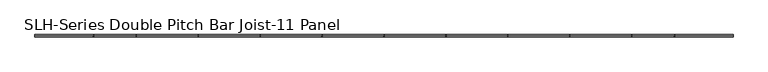
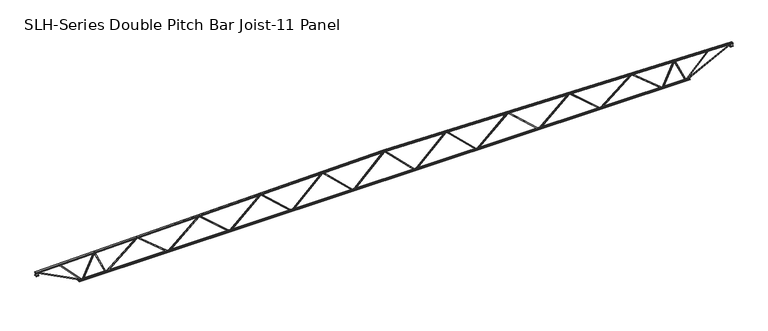
"""IFC4 building model written with IfcOpenShell, lengths in millimetres: beam geometry, SLH-Series Double Pitch Bar Joist-11 Panel."""

from ifc_helpers import new_model, si_unit, frame, origin, place, context, project, spatial, polyline, outline, extrude, faceted_brep, source, transform, mapped, element, save


def slh_series_double_pitch_bar_joist_11_panel_637ea730(model_context):
    return source(origin(), model_context, "Body", "SolidModel", [
        faceted_brep([(12801.6005483, 0.0, -863.6), (12801.6005483, 0.0, -914.4), (12801.6005483, -12.7, -914.4), (12801.6005483, -12.7, -863.6), (12817.8412945, 0.0, -863.6), (14596.0777309, 0.0, 610.4397819), (14656.3233291, 0.0, 609.1851802), (14655.2656592, 0.0, 558.3961918), (14613.9332808, 0.0, 559.2569298), (12836.1587055, 0.0, -914.4), (12836.1587055, -12.7, -914.4), (12905.2963134, -12.7, -857.0895196), (12897.1913876, -12.7, -847.3119853), (14592.0008334, -12.7, 557.572368), (14600.1057592, -12.7, 547.7948337), (14613.9332808, -12.7, 559.2569298), (14655.2656592, -12.7, 558.3961918), (14656.3233291, -12.7, 609.1851802), (14596.0777309, -12.7, 610.4397819), (12817.8412945, -12.7, -863.6), (14600.1057592, -50.8, 547.7948337), (12905.2963134, -50.8, -857.0895196), (12897.1913876, -50.8, -847.3119853), (14592.0008334, -50.8, 557.572368)], [[[0, 1, 2, 3]], [[1, 0, 4, 5, 6, 7, 8, 9]], [[2, 1, 9, 10]], [[3, 2, 10, 11, 12, 13, 14, 15, 16, 17, 18, 19]], [[0, 3, 19, 4]], [[9, 8, 15, 14, 20, 21, 11, 10]], [[5, 4, 19, 18]], [[7, 6, 17, 16]], [[8, 7, 16, 15]], [[6, 5, 18, 17]], [[11, 21, 22, 12]], [[13, 23, 20, 14]], [[22, 21, 20, 23]], [[12, 22, 23, 13]]]),
        faceted_brep([(16459.200586, 12.7, -863.6), (16459.200586, 0.0, -863.6), (16459.200586, 0.0, -914.4), (16459.200586, 12.7, -914.4), (16442.9536443, 12.7, -863.6), (16442.9536443, 0.0, -863.6), (14665.1773799, 0.0, 609.0007964), (14605.5343408, 0.0, 610.24285), (14604.4766709, 0.0, 559.4538617), (14646.4116084, 0.0, 558.5805756), (16424.6463557, 0.0, -914.4), (16424.6463557, 12.7, -914.4), (16355.4885392, 12.7, -857.1139074), (16363.5900161, 12.7, -847.3335152), (14668.3446486, 12.7, 556.9037492), (14660.2431717, 12.7, 547.123357), (14646.4116084, 12.7, 558.5805756), (14604.4766709, 12.7, 559.4538617), (14605.5343408, 12.7, 610.24285), (14665.1773799, 12.7, 609.0007964), (16355.4885392, 50.8, -857.1139074), (16363.5900161, 50.8, -847.3335152), (14660.2431717, 50.8, 547.123357), (14668.3446486, 50.8, 556.9037492)], [[[0, 1, 2, 3]], [[1, 0, 4, 5]], [[2, 1, 5, 6, 7, 8, 9, 10]], [[3, 2, 10, 11]], [[0, 3, 11, 12, 13, 14, 15, 16, 17, 18, 19, 4]], [[5, 4, 19, 6]], [[8, 7, 18, 17]], [[7, 6, 19, 18]], [[9, 8, 17, 16]], [[20, 21, 13, 12]], [[22, 15, 14, 23]], [[21, 20, 22, 23]], [[13, 21, 23, 14]], [[20, 12, 11, 10, 9, 16, 15, 22]]]),
        faceted_brep([(9144.0005483, 0.0, -863.6), (9144.0005483, 0.0, -914.4), (9144.0005483, -12.7, -914.4), (9144.0005483, -12.7, -863.6), (9159.8828503, 0.0, -863.6), (10938.116566, 0.0, 686.6160461), (10998.7233291, 0.0, 685.3539232), (10997.6656592, 0.0, 634.5649348), (10956.6944457, 0.0, 635.4181517), (9178.9171497, 0.0, -914.4), (9178.9171497, -12.7, -914.4), (9246.6086066, -12.7, -855.3884192), (9238.2631088, -12.7, -845.8154016), (10934.8106565, -12.7, 633.1888531), (10943.1561543, -12.7, 623.6158355), (10956.6944457, -12.7, 635.4181517), (10997.6656592, -12.7, 634.5649348), (10998.7233291, -12.7, 685.3539232), (10938.116566, -12.7, 686.6160461), (9159.8828503, -12.7, -863.6), (10943.1561543, -50.8, 623.6158355), (9246.6086066, -50.8, -855.3884192), (9238.2631088, -50.8, -845.8154016), (10934.8106565, -50.8, 633.1888531)], [[[0, 1, 2, 3]], [[1, 0, 4, 5, 6, 7, 8, 9]], [[2, 1, 9, 10]], [[3, 2, 10, 11, 12, 13, 14, 15, 16, 17, 18, 19]], [[0, 3, 19, 4]], [[9, 8, 15, 14, 20, 21, 11, 10]], [[5, 4, 19, 18]], [[7, 6, 17, 16]], [[8, 7, 16, 15]], [[6, 5, 18, 17]], [[11, 21, 22, 12]], [[13, 23, 20, 14]], [[22, 21, 20, 23]], [[12, 22, 23, 13]]]),
        faceted_brep([(12801.600586, 12.7, -863.6), (12801.600586, 0.0, -863.6), (12801.600586, 0.0, -914.4), (12801.600586, 12.7, -914.4), (12785.7122535, 12.7, -863.6), (12785.7122535, 0.0, -863.6), (11007.9332225, 0.0, 685.1621291), (10947.9343408, 0.0, 686.4115931), (10946.8766709, 0.0, 635.6226047), (10988.4557659, 0.0, 634.7567289), (12766.6877465, 0.0, -914.4), (12766.6877465, 12.7, -914.4), (12698.9763422, 12.7, -855.4113085), (12707.3186029, 12.7, -845.8354699), (11010.3403075, 12.7, 632.5348293), (11001.9980467, 12.7, 622.9589906), (10988.4557659, 12.7, 634.7567289), (10946.8766709, 12.7, 635.6226047), (10947.9343408, 12.7, 686.4115931), (11007.9332225, 12.7, 685.1621291), (12698.9763422, 50.8, -855.4113085), (12707.3186029, 50.8, -845.8354699), (11001.9980467, 50.8, 622.9589906), (11010.3403075, 50.8, 632.5348293)], [[[0, 1, 2, 3]], [[1, 0, 4, 5]], [[2, 1, 5, 6, 7, 8, 9, 10]], [[3, 2, 10, 11]], [[0, 3, 11, 12, 13, 14, 15, 16, 17, 18, 19, 4]], [[5, 4, 19, 6]], [[8, 7, 18, 17]], [[7, 6, 19, 18]], [[9, 8, 17, 16]], [[20, 21, 13, 12]], [[22, 15, 14, 23]], [[21, 20, 22, 23]], [[13, 21, 23, 14]], [[20, 12, 11, 10, 9, 16, 15, 22]]]),
        faceted_brep([(5486.4005483, 0.0, -863.6), (5486.4005483, 0.0, -914.4), (5486.4005483, -12.7, -914.4), (5486.4005483, -12.7, -863.6), (5501.9361494, 0.0, -863.6), (7280.1671323, 0.0, 762.792066), (7341.1233291, 0.0, 761.5226662), (7340.0656592, 0.0, 710.7336778), (7299.4438793, 0.0, 711.5796178), (5521.6638506, 0.0, -914.4), (5521.6638506, -12.7, -914.4), (5587.9299471, -12.7, -853.792208), (5579.3587109, -12.7, -844.4207667), (7277.6194239, -12.7, 708.8295006), (7286.19066, -12.7, 699.4580594), (7299.4438793, -12.7, 711.5796178), (7340.0656592, -12.7, 710.7336778), (7341.1233291, -12.7, 761.5226662), (7280.1671323, -12.7, 762.792066), (5501.9361494, -12.7, -863.6), (7286.19066, -50.8, 699.4580594), (5587.9299471, -50.8, -853.792208), (5579.3587109, -50.8, -844.4207667), (7277.6194239, -50.8, 708.8295006)], [[[0, 1, 2, 3]], [[1, 0, 4, 5, 6, 7, 8, 9]], [[2, 1, 9, 10]], [[3, 2, 10, 11, 12, 13, 14, 15, 16, 17, 18, 19]], [[0, 3, 19, 4]], [[9, 8, 15, 14, 20, 21, 11, 10]], [[5, 4, 19, 18]], [[7, 6, 17, 16]], [[8, 7, 16, 15]], [[6, 5, 18, 17]], [[11, 21, 22, 12]], [[13, 23, 20, 14]], [[22, 21, 20, 23]], [[12, 22, 23, 13]]]),
        faceted_brep([(9144.000586, 12.7, -863.6), (9144.000586, 0.0, -863.6), (9144.000586, 0.0, -914.4), (9144.000586, 12.7, -914.4), (9128.4591155, 12.7, -863.6), (9128.4591155, 0.0, -863.6), (7350.6773093, 0.0, 761.3237066), (7290.3343408, 0.0, 762.5803361), (7289.2766709, 0.0, 711.7913477), (7330.511679, 0.0, 710.9326375), (9108.7408845, 0.0, -914.4), (9108.7408845, 12.7, -914.4), (9042.4551543, 12.7, -853.8136817), (9051.0233536, 12.7, -844.4394638), (7352.3370244, 12.7, 708.1895917), (7343.768825, 12.7, 698.8153738), (7330.511679, 12.7, 710.9326375), (7289.2766709, 12.7, 711.7913477), (7290.3343408, 12.7, 762.5803361), (7350.6773093, 12.7, 761.3237066), (9042.4551543, 50.8, -853.8136817), (9051.0233536, 50.8, -844.4394638), (7343.768825, 50.8, 698.8153738), (7352.3370244, 50.8, 708.1895917)], [[[0, 1, 2, 3]], [[1, 0, 4, 5]], [[2, 1, 5, 6, 7, 8, 9, 10]], [[3, 2, 10, 11]], [[0, 3, 11, 12, 13, 14, 15, 16, 17, 18, 19, 4]], [[5, 4, 19, 6]], [[8, 7, 18, 17]], [[7, 6, 19, 18]], [[9, 8, 17, 16]], [[20, 21, 13, 12]], [[22, 15, 14, 23]], [[21, 20, 22, 23]], [[13, 21, 23, 14]], [[20, 12, 11, 10, 9, 16, 15, 22]]]),
        faceted_brep([(1828.8005483, 0.0, -863.6), (1828.8005483, 0.0, -914.4), (1828.8005483, -12.7, -914.4), (1828.8005483, -12.7, -863.6), (1844.0009054, 0.0, -863.6), (3622.2291509, 0.0, 838.9678474), (3683.5233291, 0.0, 837.6914092), (3682.4656592, 0.0, 786.9024209), (3642.1818608, 0.0, 787.7413224), (1864.3990946, 0.0, -914.4), (1864.3990946, -12.7, -914.4), (1929.2640419, -12.7, -852.294939), (1920.48106, -12.7, -843.1216501), (3620.4258893, -12.7, 784.493599), (3629.2088713, -12.7, 775.3203102), (3642.1818608, -12.7, 787.7413224), (3682.4656592, -12.7, 786.9024209), (3683.5233291, -12.7, 837.6914092), (3622.2291509, -12.7, 838.9678474), (1844.0009054, -12.7, -863.6), (3629.2088713, -50.8, 775.3203102), (1929.2640419, -50.8, -852.294939), (1920.48106, -50.8, -843.1216501), (3620.4258893, -50.8, 784.493599)], [[[0, 1, 2, 3]], [[1, 0, 4, 5, 6, 7, 8, 9]], [[2, 1, 9, 10]], [[3, 2, 10, 11, 12, 13, 14, 15, 16, 17, 18, 19]], [[0, 3, 19, 4]], [[9, 8, 15, 14, 20, 21, 11, 10]], [[5, 4, 19, 18]], [[7, 6, 17, 16]], [[8, 7, 16, 15]], [[6, 5, 18, 17]], [[11, 21, 22, 12]], [[13, 23, 20, 14]], [[22, 21, 20, 23]], [[12, 22, 23, 13]]]),
        faceted_brep([(5486.400586, 12.7, -863.6), (5486.400586, 0.0, -863.6), (5486.400586, 0.0, -914.4), (5486.400586, 12.7, -914.4), (5471.1945165, 12.7, -863.6), (5471.1945165, 0.0, -863.6), (3693.4099343, 0.0, 837.4855227), (3632.7343408, 0.0, 838.7490791), (3631.6766709, 0.0, 787.9600907), (3672.579054, 0.0, 787.1083073), (5450.8054835, 0.0, -914.4), (5450.8054835, 12.7, -914.4), (5385.9212589, 12.7, -852.3150791), (5394.7013926, 12.7, -843.1390641), (3694.3360327, 12.7, 783.8673382), (3685.555899, 12.7, 774.6913231), (3672.579054, 12.7, 787.1083073), (3631.6766709, 12.7, 787.9600907), (3632.7343408, 12.7, 838.7490791), (3693.4099343, 12.7, 837.4855227), (5385.9212589, 50.8, -852.3150791), (5394.7013926, 50.8, -843.1390641), (3685.555899, 50.8, 774.6913231), (3694.3360327, 50.8, 783.8673382)], [[[0, 1, 2, 3]], [[1, 0, 4, 5]], [[2, 1, 5, 6, 7, 8, 9, 10]], [[3, 2, 10, 11]], [[0, 3, 11, 12, 13, 14, 15, 16, 17, 18, 19, 4]], [[5, 4, 19, 6]], [[8, 7, 18, 17]], [[7, 6, 19, 18]], [[9, 8, 17, 16]], [[20, 21, 13, 12]], [[22, 15, 14, 23]], [[21, 20, 22, 23]], [[13, 21, 23, 14]], [[20, 12, 11, 10, 9, 16, 15, 22]]]),
        faceted_brep([(-1828.8005483, 0.0, -863.6), (-1828.8005483, 0.0, -914.4), (-1828.8005483, 12.7, -914.4), (-1828.8005483, 12.7, -863.6), (-1844.0009054, 0.0, -863.6), (-3622.2291509, 0.0, 838.9678474), (-3683.5233291, 0.0, 837.6914092), (-3682.4656592, 0.0, 786.9024209), (-3642.1818608, 0.0, 787.7413224), (-1864.3990946, 0.0, -914.4), (-1864.3990946, 12.7, -914.4), (-1929.2640419, 12.7, -852.294939), (-1920.48106, 12.7, -843.1216501), (-3620.4258893, 12.7, 784.493599), (-3629.2088713, 12.7, 775.3203102), (-3642.1818608, 12.7, 787.7413224), (-3682.4656592, 12.7, 786.9024209), (-3683.5233291, 12.7, 837.6914092), (-3622.2291509, 12.7, 838.9678474), (-1844.0009054, 12.7, -863.6), (-3629.2088713, 50.8, 775.3203102), (-1929.2640419, 50.8, -852.294939), (-1920.48106, 50.8, -843.1216501), (-3620.4258893, 50.8, 784.493599)], [[[0, 1, 2, 3]], [[1, 0, 4, 5, 6, 7, 8, 9]], [[2, 1, 9, 10]], [[3, 2, 10, 11, 12, 13, 14, 15, 16, 17, 18, 19]], [[0, 3, 19, 4]], [[9, 8, 15, 14, 20, 21, 11, 10]], [[5, 4, 19, 18]], [[7, 6, 17, 16]], [[8, 7, 16, 15]], [[6, 5, 18, 17]], [[11, 21, 22, 12]], [[13, 23, 20, 14]], [[22, 21, 20, 23]], [[12, 22, 23, 13]]]),
        faceted_brep([(-5486.400586, -12.7, -863.6), (-5486.400586, 0.0, -863.6), (-5486.400586, 0.0, -914.4), (-5486.400586, -12.7, -914.4), (-5471.1945165, -12.7, -863.6), (-5471.1945165, 0.0, -863.6), (-3693.4099343, 0.0, 837.4855227), (-3632.7343408, 0.0, 838.7490791), (-3631.6766709, 0.0, 787.9600907), (-3672.579054, 0.0, 787.1083073), (-5450.8054835, 0.0, -914.4), (-5450.8054835, -12.7, -914.4), (-5385.9212589, -12.7, -852.3150791), (-5394.7013926, -12.7, -843.1390641), (-3694.3360327, -12.7, 783.8673382), (-3685.555899, -12.7, 774.6913231), (-3672.579054, -12.7, 787.1083073), (-3631.6766709, -12.7, 787.9600907), (-3632.7343408, -12.7, 838.7490791), (-3693.4099343, -12.7, 837.4855227), (-5385.9212589, -50.8, -852.3150791), (-5394.7013926, -50.8, -843.1390641), (-3685.555899, -50.8, 774.6913231), (-3694.3360327, -50.8, 783.8673382)], [[[0, 1, 2, 3]], [[1, 0, 4, 5]], [[2, 1, 5, 6, 7, 8, 9, 10]], [[3, 2, 10, 11]], [[0, 3, 11, 12, 13, 14, 15, 16, 17, 18, 19, 4]], [[5, 4, 19, 6]], [[8, 7, 18, 17]], [[7, 6, 19, 18]], [[9, 8, 17, 16]], [[20, 21, 13, 12]], [[22, 15, 14, 23]], [[21, 20, 22, 23]], [[13, 21, 23, 14]], [[20, 12, 11, 10, 9, 16, 15, 22]]]),
        faceted_brep([(-5486.4005483, 0.0, -863.6), (-5486.4005483, 0.0, -914.4), (-5486.4005483, 12.7, -914.4), (-5486.4005483, 12.7, -863.6), (-5501.9361494, 0.0, -863.6), (-7280.1671323, 0.0, 762.792066), (-7341.1233291, 0.0, 761.5226662), (-7340.0656592, 0.0, 710.7336778), (-7299.4438793, 0.0, 711.5796178), (-5521.6638506, 0.0, -914.4), (-5521.6638506, 12.7, -914.4), (-5587.9299471, 12.7, -853.792208), (-5579.3587109, 12.7, -844.4207667), (-7277.6194239, 12.7, 708.8295006), (-7286.19066, 12.7, 699.4580594), (-7299.4438793, 12.7, 711.5796178), (-7340.0656592, 12.7, 710.7336778), (-7341.1233291, 12.7, 761.5226662), (-7280.1671323, 12.7, 762.792066), (-5501.9361494, 12.7, -863.6), (-7286.19066, 50.8, 699.4580594), (-5587.9299471, 50.8, -853.792208), (-5579.3587109, 50.8, -844.4207667), (-7277.6194239, 50.8, 708.8295006)], [[[0, 1, 2, 3]], [[1, 0, 4, 5, 6, 7, 8, 9]], [[2, 1, 9, 10]], [[3, 2, 10, 11, 12, 13, 14, 15, 16, 17, 18, 19]], [[0, 3, 19, 4]], [[9, 8, 15, 14, 20, 21, 11, 10]], [[5, 4, 19, 18]], [[7, 6, 17, 16]], [[8, 7, 16, 15]], [[6, 5, 18, 17]], [[11, 21, 22, 12]], [[13, 23, 20, 14]], [[22, 21, 20, 23]], [[12, 22, 23, 13]]]),
        faceted_brep([(-9144.000586, -12.7, -863.6), (-9144.000586, 0.0, -863.6), (-9144.000586, 0.0, -914.4), (-9144.000586, -12.7, -914.4), (-9128.4591155, -12.7, -863.6), (-9128.4591155, 0.0, -863.6), (-7350.6773093, 0.0, 761.3237066), (-7290.3343408, 0.0, 762.5803361), (-7289.2766709, 0.0, 711.7913477), (-7330.511679, 0.0, 710.9326375), (-9108.7408845, 0.0, -914.4), (-9108.7408845, -12.7, -914.4), (-9042.4551543, -12.7, -853.8136817), (-9051.0233536, -12.7, -844.4394638), (-7352.3370244, -12.7, 708.1895917), (-7343.768825, -12.7, 698.8153738), (-7330.511679, -12.7, 710.9326375), (-7289.2766709, -12.7, 711.7913477), (-7290.3343408, -12.7, 762.5803361), (-7350.6773093, -12.7, 761.3237066), (-9042.4551543, -50.8, -853.8136817), (-9051.0233536, -50.8, -844.4394638), (-7343.768825, -50.8, 698.8153738), (-7352.3370244, -50.8, 708.1895917)], [[[0, 1, 2, 3]], [[1, 0, 4, 5]], [[2, 1, 5, 6, 7, 8, 9, 10]], [[3, 2, 10, 11]], [[0, 3, 11, 12, 13, 14, 15, 16, 17, 18, 19, 4]], [[5, 4, 19, 6]], [[8, 7, 18, 17]], [[7, 6, 19, 18]], [[9, 8, 17, 16]], [[20, 21, 13, 12]], [[22, 15, 14, 23]], [[21, 20, 22, 23]], [[13, 21, 23, 14]], [[20, 12, 11, 10, 9, 16, 15, 22]]]),
        faceted_brep([(-9144.0005483, 0.0, -863.6), (-9144.0005483, 0.0, -914.4), (-9144.0005483, 12.7, -914.4), (-9144.0005483, 12.7, -863.6), (-9159.8828503, 0.0, -863.6), (-10938.116566, 0.0, 686.6160461), (-10998.7233291, 0.0, 685.3539232), (-10997.6656592, 0.0, 634.5649348), (-10956.6944457, 0.0, 635.4181517), (-9178.9171497, 0.0, -914.4), (-9178.9171497, 12.7, -914.4), (-9246.6086066, 12.7, -855.3884192), (-9238.2631088, 12.7, -845.8154016), (-10934.8106565, 12.7, 633.1888531), (-10943.1561543, 12.7, 623.6158355), (-10956.6944457, 12.7, 635.4181517), (-10997.6656592, 12.7, 634.5649348), (-10998.7233291, 12.7, 685.3539232), (-10938.116566, 12.7, 686.6160461), (-9159.8828503, 12.7, -863.6), (-10943.1561543, 50.8, 623.6158355), (-9246.6086066, 50.8, -855.3884192), (-9238.2631088, 50.8, -845.8154016), (-10934.8106565, 50.8, 633.1888531)], [[[0, 1, 2, 3]], [[1, 0, 4, 5, 6, 7, 8, 9]], [[2, 1, 9, 10]], [[3, 2, 10, 11, 12, 13, 14, 15, 16, 17, 18, 19]], [[0, 3, 19, 4]], [[9, 8, 15, 14, 20, 21, 11, 10]], [[5, 4, 19, 18]], [[7, 6, 17, 16]], [[8, 7, 16, 15]], [[6, 5, 18, 17]], [[11, 21, 22, 12]], [[13, 23, 20, 14]], [[22, 21, 20, 23]], [[12, 22, 23, 13]]]),
        faceted_brep([(-12801.600586, -12.7, -863.6), (-12801.600586, 0.0, -863.6), (-12801.600586, 0.0, -914.4), (-12801.600586, -12.7, -914.4), (-12785.7122535, -12.7, -863.6), (-12785.7122535, 0.0, -863.6), (-11007.9332225, 0.0, 685.1621291), (-10947.9343408, 0.0, 686.4115931), (-10946.8766709, 0.0, 635.6226047), (-10988.4557659, 0.0, 634.7567289), (-12766.6877465, 0.0, -914.4), (-12766.6877465, -12.7, -914.4), (-12698.9763422, -12.7, -855.4113085), (-12707.3186029, -12.7, -845.8354699), (-11010.3403075, -12.7, 632.5348293), (-11001.9980467, -12.7, 622.9589906), (-10988.4557659, -12.7, 634.7567289), (-10946.8766709, -12.7, 635.6226047), (-10947.9343408, -12.7, 686.4115931), (-11007.9332225, -12.7, 685.1621291), (-12698.9763422, -50.8, -855.4113085), (-12707.3186029, -50.8, -845.8354699), (-11001.9980467, -50.8, 622.9589906), (-11010.3403075, -50.8, 632.5348293)], [[[0, 1, 2, 3]], [[1, 0, 4, 5]], [[2, 1, 5, 6, 7, 8, 9, 10]], [[3, 2, 10, 11]], [[0, 3, 11, 12, 13, 14, 15, 16, 17, 18, 19, 4]], [[5, 4, 19, 6]], [[8, 7, 18, 17]], [[7, 6, 19, 18]], [[9, 8, 17, 16]], [[20, 21, 13, 12]], [[22, 15, 14, 23]], [[21, 20, 22, 23]], [[13, 21, 23, 14]], [[20, 12, 11, 10, 9, 16, 15, 22]]]),
        faceted_brep([(-12801.6005483, 0.0, -863.6), (-12801.6005483, 0.0, -914.4), (-12801.6005483, 12.7, -914.4), (-12801.6005483, 12.7, -863.6), (-12817.8412945, 0.0, -863.6), (-14596.0777309, 0.0, 610.4397819), (-14656.3233291, 0.0, 609.1851802), (-14655.2656592, 0.0, 558.3961918), (-14613.9332808, 0.0, 559.2569298), (-12836.1587055, 0.0, -914.4), (-12836.1587055, 12.7, -914.4), (-12905.2963134, 12.7, -857.0895196), (-12897.1913876, 12.7, -847.3119853), (-14592.0008334, 12.7, 557.572368), (-14600.1057592, 12.7, 547.7948337), (-14613.9332808, 12.7, 559.2569298), (-14655.2656592, 12.7, 558.3961918), (-14656.3233291, 12.7, 609.1851802), (-14596.0777309, 12.7, 610.4397819), (-12817.8412945, 12.7, -863.6), (-14600.1057592, 50.8, 547.7948337), (-12905.2963134, 50.8, -857.0895196), (-12897.1913876, 50.8, -847.3119853), (-14592.0008334, 50.8, 557.572368)], [[[0, 1, 2, 3]], [[1, 0, 4, 5, 6, 7, 8, 9]], [[2, 1, 9, 10]], [[3, 2, 10, 11, 12, 13, 14, 15, 16, 17, 18, 19]], [[0, 3, 19, 4]], [[9, 8, 15, 14, 20, 21, 11, 10]], [[5, 4, 19, 18]], [[7, 6, 17, 16]], [[8, 7, 16, 15]], [[6, 5, 18, 17]], [[11, 21, 22, 12]], [[13, 23, 20, 14]], [[22, 21, 20, 23]], [[12, 22, 23, 13]]]),
        faceted_brep([(-16459.200586, -12.7, -863.6), (-16459.200586, 0.0, -863.6), (-16459.200586, 0.0, -914.4), (-16459.200586, -12.7, -914.4), (-16442.9536443, -12.7, -863.6), (-16442.9536443, 0.0, -863.6), (-14665.1773799, 0.0, 609.0007964), (-14605.5343408, 0.0, 610.24285), (-14604.4766709, 0.0, 559.4538617), (-14646.4116084, 0.0, 558.5805756), (-16424.6463557, 0.0, -914.4), (-16424.6463557, -12.7, -914.4), (-16355.4885392, -12.7, -857.1139074), (-16363.5900161, -12.7, -847.3335152), (-14668.3446486, -12.7, 556.9037492), (-14660.2431717, -12.7, 547.123357), (-14646.4116084, -12.7, 558.5805756), (-14604.4766709, -12.7, 559.4538617), (-14605.5343408, -12.7, 610.24285), (-14665.1773799, -12.7, 609.0007964), (-16355.4885392, -50.8, -857.1139074), (-16363.5900161, -50.8, -847.3335152), (-14660.2431717, -50.8, 547.123357), (-14668.3446486, -50.8, 556.9037492)], [[[0, 1, 2, 3]], [[1, 0, 4, 5]], [[2, 1, 5, 6, 7, 8, 9, 10]], [[3, 2, 10, 11]], [[0, 3, 11, 12, 13, 14, 15, 16, 17, 18, 19, 4]], [[5, 4, 19, 6]], [[8, 7, 18, 17]], [[7, 6, 19, 18]], [[9, 8, 17, 16]], [[20, 21, 13, 12]], [[22, 15, 14, 23]], [[21, 20, 22, 23]], [[13, 21, 23, 14]], [[20, 12, 11, 10, 9, 16, 15, 22]]]),
        faceted_brep([(1828.7994517, 0.0, -863.6), (1828.7994517, 0.0, -914.4), (1828.7994517, 12.7, -914.4), (1828.7994517, 12.7, -863.6), (1813.9210245, 0.0, -863.6), (35.9210245, 0.0, 914.4), (-25.4, 0.0, 914.4), (-25.4, 0.0, 863.6), (14.8789755, 0.0, 863.6), (1792.8789755, 0.0, -914.4), (1792.8789755, 12.7, -914.4), (1729.3789755, 12.7, -850.9), (1738.3592316, 12.7, -841.9197439), (36.5592316, 12.7, 859.8802561), (27.5789755, 12.7, 850.9), (14.8789755, 12.7, 863.6), (-25.4, 12.7, 863.6), (-25.4, 12.7, 914.4), (35.9210245, 12.7, 914.4), (1813.9210245, 12.7, -863.6), (27.5789755, 50.8, 850.9), (1729.3789755, 50.8, -850.9), (1738.3592316, 50.8, -841.9197439), (36.5592316, 50.8, 859.8802561)], [[[0, 1, 2, 3]], [[1, 0, 4, 5, 6, 7, 8, 9]], [[2, 1, 9, 10]], [[3, 2, 10, 11, 12, 13, 14, 15, 16, 17, 18, 19]], [[0, 3, 19, 4]], [[9, 8, 15, 14, 20, 21, 11, 10]], [[5, 4, 19, 18]], [[7, 6, 17, 16]], [[8, 7, 16, 15]], [[6, 5, 18, 17]], [[11, 21, 22, 12]], [[13, 23, 20, 14]], [[22, 21, 20, 23]], [[12, 22, 23, 13]]]),
        faceted_brep([(-1828.800586, -12.7, -863.6), (-1828.800586, 0.0, -863.6), (-1828.800586, 0.0, -914.4), (-1828.800586, -12.7, -914.4), (-1813.9210245, -12.7, -863.6), (-1813.9210245, 0.0, -863.6), (-35.9210245, 0.0, 914.4), (25.4, 0.0, 914.4), (25.4, 0.0, 863.6), (-14.8789755, 0.0, 863.6), (-1792.8789755, 0.0, -914.4), (-1792.8789755, -12.7, -914.4), (-1729.3789755, -12.7, -850.9), (-1738.3592316, -12.7, -841.9197439), (-36.5592316, -12.7, 859.8802561), (-27.5789755, -12.7, 850.9), (-14.8789755, -12.7, 863.6), (25.4, -12.7, 863.6), (25.4, -12.7, 914.4), (-35.9210245, -12.7, 914.4), (-1729.3789755, -50.8, -850.9), (-1738.3592316, -50.8, -841.9197439), (-27.5789755, -50.8, 850.9), (-36.5592316, -50.8, 859.8802561)], [[[0, 1, 2, 3]], [[1, 0, 4, 5]], [[2, 1, 5, 6, 7, 8, 9, 10]], [[3, 2, 10, 11]], [[0, 3, 11, 12, 13, 14, 15, 16, 17, 18, 19, 4]], [[5, 4, 19, 6]], [[8, 7, 18, 17]], [[7, 6, 19, 18]], [[9, 8, 17, 16]], [[20, 21, 13, 12]], [[22, 15, 14, 23]], [[21, 20, 22, 23]], [[13, 21, 23, 14]], [[20, 12, 11, 10, 9, 16, 15, 22]]]),
        faceted_brep([(16459.2005483, 0.0, -863.6), (16459.2005483, 0.0, -914.4), (16459.2005483, -12.7, -914.4), (16459.2005483, -12.7, -863.6), (16468.3941612, 0.0, -863.6), (17129.0754727, 0.0, 558.2731518), (17196.6709742, 0.0, 555.9126649), (17194.8980798, 0.0, 505.1436109), (17160.9554733, 0.0, 506.3289128), (16500.8058388, 0.0, -914.4), (16500.8058388, -12.7, -914.4), (16538.647492, -12.7, -832.9597809), (16527.1301058, -12.7, -827.608163), (17141.8697564, -12.7, 495.392487), (17153.3871426, -12.7, 490.040869), (17160.9554733, -12.7, 506.3289128), (17194.8980798, -12.7, 505.1436109), (17196.6709742, -12.7, 555.9126649), (17129.0754727, -12.7, 558.2731518), (16468.3941612, -12.7, -863.6), (17153.3871426, -50.8, 490.040869), (16538.647492, -50.8, -832.9597809), (16527.1301058, -50.8, -827.608163), (17141.8697564, -50.8, 495.392487)], [[[0, 1, 2, 3]], [[1, 0, 4, 5, 6, 7, 8, 9]], [[2, 1, 9, 10]], [[3, 2, 10, 11, 12, 13, 14, 15, 16, 17, 18, 19]], [[0, 3, 19, 4]], [[9, 8, 15, 14, 20, 21, 11, 10]], [[5, 4, 19, 18]], [[7, 6, 17, 16]], [[8, 7, 16, 15]], [[6, 5, 18, 17]], [[11, 21, 22, 12]], [[13, 23, 20, 14]], [[22, 21, 20, 23]], [[12, 22, 23, 13]]]),
        faceted_brep([(17881.600586, 12.7, -863.6), (17881.600586, 0.0, -863.6), (17881.600586, 0.0, -914.4), (17881.600586, 12.7, -914.4), (17872.3973131, 12.7, -863.6), (17872.3973131, 0.0, -863.6), (17212.242012, 0.0, 555.3689123), (17145.9019202, 0.0, 557.6855593), (17144.1290258, 0.0, 506.9165053), (17179.327042, 0.0, 505.6873635), (17840.0026869, 0.0, -914.4), (17840.0026869, 12.7, -914.4), (17802.122177, 12.7, -832.9778471), (17813.6370083, 12.7, -827.6207341), (17198.4179753, 12.7, 494.760046), (17186.903144, 12.7, 489.402933), (17179.327042, 12.7, 505.6873635), (17144.1290258, 12.7, 506.9165053), (17145.9019202, 12.7, 557.6855593), (17212.242012, 12.7, 555.3689123), (17802.122177, 50.8, -832.9778471), (17813.6370083, 50.8, -827.6207341), (17186.903144, 50.8, 489.402933), (17198.4179753, 50.8, 494.760046)], [[[0, 1, 2, 3]], [[1, 0, 4, 5]], [[2, 1, 5, 6, 7, 8, 9, 10]], [[3, 2, 10, 11]], [[0, 3, 11, 12, 13, 14, 15, 16, 17, 18, 19, 4]], [[5, 4, 19, 6]], [[8, 7, 18, 17]], [[7, 6, 19, 18]], [[9, 8, 17, 16]], [[20, 21, 13, 12]], [[22, 15, 14, 23]], [[21, 20, 22, 23]], [[13, 21, 23, 14]], [[20, 12, 11, 10, 9, 16, 15, 22]]]),
        faceted_brep([(-16459.2005483, 0.0, -863.6), (-16459.2005483, 0.0, -914.4), (-16459.2005483, 12.7, -914.4), (-16459.2005483, 12.7, -863.6), (-16468.3941612, 0.0, -863.6), (-17129.0754727, 0.0, 558.2731518), (-17196.6709742, 0.0, 555.9126649), (-17194.8980798, 0.0, 505.1436109), (-17160.9554733, 0.0, 506.3289128), (-16500.8058388, 0.0, -914.4), (-16500.8058388, 12.7, -914.4), (-16538.647492, 12.7, -832.9597809), (-16527.1301058, 12.7, -827.608163), (-17141.8697564, 12.7, 495.392487), (-17153.3871426, 12.7, 490.040869), (-17160.9554733, 12.7, 506.3289128), (-17194.8980798, 12.7, 505.1436109), (-17196.6709742, 12.7, 555.9126649), (-17129.0754727, 12.7, 558.2731518), (-16468.3941612, 12.7, -863.6), (-17153.3871426, 50.8, 490.040869), (-16538.647492, 50.8, -832.9597809), (-16527.1301058, 50.8, -827.608163), (-17141.8697564, 50.8, 495.392487)], [[[0, 1, 2, 3]], [[1, 0, 4, 5, 6, 7, 8, 9]], [[2, 1, 9, 10]], [[3, 2, 10, 11, 12, 13, 14, 15, 16, 17, 18, 19]], [[0, 3, 19, 4]], [[9, 8, 15, 14, 20, 21, 11, 10]], [[5, 4, 19, 18]], [[7, 6, 17, 16]], [[8, 7, 16, 15]], [[6, 5, 18, 17]], [[11, 21, 22, 12]], [[13, 23, 20, 14]], [[22, 21, 20, 23]], [[12, 22, 23, 13]]]),
        faceted_brep([(-17881.600586, -12.7, -863.6), (-17881.600586, 0.0, -863.6), (-17881.600586, 0.0, -914.4), (-17881.600586, -12.7, -914.4), (-17872.3973131, -12.7, -863.6), (-17872.3973131, 0.0, -863.6), (-17212.242012, 0.0, 555.3689123), (-17145.9019202, 0.0, 557.6855593), (-17144.1290258, 0.0, 506.9165053), (-17179.327042, 0.0, 505.6873635), (-17840.0026869, 0.0, -914.4), (-17840.0026869, -12.7, -914.4), (-17802.122177, -12.7, -832.9778471), (-17813.6370083, -12.7, -827.6207341), (-17198.4179753, -12.7, 494.760046), (-17186.903144, -12.7, 489.402933), (-17179.327042, -12.7, 505.6873635), (-17144.1290258, -12.7, 506.9165053), (-17145.9019202, -12.7, 557.6855593), (-17212.242012, -12.7, 555.3689123), (-17802.122177, -50.8, -832.9778471), (-17813.6370083, -50.8, -827.6207341), (-17186.903144, -50.8, 489.402933), (-17198.4179753, -50.8, 494.760046)], [[[0, 1, 2, 3]], [[1, 0, 4, 5]], [[2, 1, 5, 6, 7, 8, 9, 10]], [[3, 2, 10, 11]], [[0, 3, 11, 12, 13, 14, 15, 16, 17, 18, 19, 4]], [[5, 4, 19, 6]], [[8, 7, 18, 17]], [[7, 6, 19, 18]], [[9, 8, 17, 16]], [[20, 21, 13, 12]], [[22, 15, 14, 23]], [[21, 20, 22, 23]], [[13, 21, 23, 14]], [[20, 12, 11, 10, 9, 16, 15, 22]]]),
        faceted_brep([(20472.4, 25.4, 424.566619), (20472.4, 25.4, 307.0929214), (20472.4, 76.2, 307.0929214), (20472.4, 76.2, 294.3929214), (20472.4, 12.7, 294.3929214), (20472.4, 12.7, 424.566619), (20624.8, 25.4, 421.3929214), (20624.8, 12.7, 421.3929214), (20624.8, 12.7, 294.3929214), (20624.8, 76.2, 294.3929214), (20624.8, 76.2, 307.0929214), (20624.8, 25.4, 307.0929214)], [[[0, 1, 2, 3, 4, 5]], [[6, 7, 8, 9, 10, 11]], [[6, 11, 1, 0]], [[11, 10, 2, 1]], [[10, 9, 3, 2]], [[9, 8, 4, 3]], [[8, 7, 5, 4]], [[7, 6, 0, 5]]]),
        faceted_brep([(20472.4, -76.2, 307.0929214), (20472.4, -25.4, 307.0929214), (20472.4, -25.4, 424.566619), (20472.4, -12.7, 424.566619), (20472.4, -12.7, 294.3929214), (20472.4, -76.2, 294.3929214), (20624.8, -76.2, 307.0929214), (20624.8, -76.2, 294.3929214), (20624.8, -12.7, 294.3929214), (20624.8, -12.7, 421.3929214), (20624.8, -25.4, 421.3929214), (20624.8, -25.4, 307.0929214)], [[[0, 1, 2, 3, 4, 5]], [[6, 7, 8, 9, 10, 11]], [[6, 11, 1, 0]], [[11, 10, 2, 1]], [[10, 9, 3, 2]], [[9, 8, 4, 3]], [[8, 7, 5, 4]], [[7, 6, 0, 5]]]),
        faceted_brep([(-20472.4, -25.4, 424.566619), (-20472.4, -25.4, 307.0929214), (-20472.4, -76.2, 307.0929214), (-20472.4, -76.2, 294.3929214), (-20472.4, -12.7, 294.3929214), (-20472.4, -12.7, 424.566619), (-20624.8, -25.4, 421.3929214), (-20624.8, -12.7, 421.3929214), (-20624.8, -12.7, 294.3929214), (-20624.8, -76.2, 294.3929214), (-20624.8, -76.2, 307.0929214), (-20624.8, -25.4, 307.0929214)], [[[0, 1, 2, 3, 4, 5]], [[6, 7, 8, 9, 10, 11]], [[6, 11, 1, 0]], [[11, 10, 2, 1]], [[10, 9, 3, 2]], [[9, 8, 4, 3]], [[8, 7, 5, 4]], [[7, 6, 0, 5]]]),
        faceted_brep([(-20472.4, 25.4, 424.566619), (-20472.4, 12.7, 424.566619), (-20472.4, 12.7, 294.3929214), (-20472.4, 76.2, 294.3929214), (-20472.4, 76.2, 307.0929214), (-20472.4, 25.4, 307.0929214), (-20624.8, 25.4, 421.3929214), (-20624.8, 25.4, 307.0929214), (-20624.8, 76.2, 307.0929214), (-20624.8, 76.2, 294.3929214), (-20624.8, 12.7, 294.3929214), (-20624.8, 12.7, 421.3929214)], [[[0, 1, 2, 3, 4, 5]], [[6, 7, 8, 9, 10, 11]], [[6, 11, 1, 0]], [[11, 10, 2, 1]], [[10, 9, 3, 2]], [[9, 8, 4, 3]], [[8, 7, 5, 4]], [[7, 6, 0, 5]]]),
        extrude(outline(polyline([(12.7, -914.4), (12.7, -850.9), (25.4, -850.9), (25.4, -901.7), (76.2, -901.7), (76.2, -914.4), (12.7, -914.4)])), frame((-18081.6, 0.0, 0.0), z_axis=(1.0, 0.0, 0.0), x_axis=(0.0, 1.0, 0.0)), (0.0, 0.0, 1.0), 36163.2),
        extrude(outline(polyline([(-12.7, -914.4), (-76.2, -914.4), (-76.2, -901.7), (-25.4, -901.7), (-25.4, -850.9), (-12.7, -850.9), (-12.7, -914.4)])), frame((-18081.6, 0.0, 0.0), z_axis=(1.0, 0.0, 0.0), x_axis=(0.0, 1.0, 0.0)), (0.0, 0.0, 1.0), 36163.2),
        extrude(outline(polyline([(6.35, -25.4), (-6.35, -25.4), (-6.35, 25.4), (6.35, 25.4), (6.35, -25.4)])), frame((-17881.6, 0.0, -908.05), z_axis=(-0.6898103811730857, 0.0, 0.7239900814416191), x_axis=(0.0, -1.0, 0.0)), (0.0, 0.0, 1.0), 1877.9073719),
        extrude(outline(polyline([(0.0, -12.7), (0.0, 0.0), (2913.4360819, 0.0), (2913.4360819, -12.7), (0.0, -12.7)])), frame((-20484.0180493, 6.35, 401.9787247), z_axis=(0.4574035167877498, 0.0, 0.8892592551276589), x_axis=(0.8892592551276589, 0.0, -0.4574035167877498)), (0.0, 0.0, 1.0), 50.8),
        extrude(outline(polyline([(6.35, 25.4), (6.35, -25.4), (-6.35, -25.4), (-6.35, 25.4), (6.35, 25.4)])), frame((17881.6, 0.0, -908.05), z_axis=(0.6898067966885585, 0.0, 0.7239934966850669), x_axis=(0.0, -1.0, 0.0)), (0.0, 0.0, 1.0), 1877.9171302),
        extrude(outline(polyline([(0.0, -12.7), (0.0, 0.0), (2913.4367308, 0.0), (2913.4367308, -12.7), (0.0, -12.7)])), frame((17893.2180591, -6.35, -930.63718), z_axis=(-0.4574039018822284, 0.0, 0.8892590570485706), x_axis=(0.8892590570485706, 0.0, 0.4574039018822284)), (0.0, 0.0, 1.0), 50.8),
        faceted_brep([(20624.8, 76.2, 484.8929214), (20624.8, 12.7, 484.8929214), (20624.8, 12.7, 421.3929214), (20624.8, 25.4, 421.3929214), (20624.8, 25.4, 472.1929214), (20624.8, 76.2, 472.1929214), (4.6101, 76.2, 901.7), (-20624.8, 76.2, 472.1929214), (-20624.8, 76.2, 484.8929214), (4.6101, 76.2, 914.4), (4.6101, 25.4, 901.7), (4.6101, 25.4, 850.9), (-20624.8, 25.4, 421.3929214), (-20624.8, 25.4, 472.1929214), (4.6101, 12.7, 850.9), (4.6101, 12.7, 914.4), (-20624.8, 12.7, 484.8929214), (-20624.8, 12.7, 421.3929214)], [[[0, 1, 2, 3, 4, 5]], [[0, 5, 6, 7, 8, 9]], [[5, 4, 10, 6]], [[4, 3, 11, 12, 13, 10]], [[3, 2, 14, 11]], [[2, 1, 15, 16, 17, 14]], [[1, 0, 9, 15]], [[8, 7, 13, 12, 17, 16]], [[8, 16, 15, 9]], [[17, 12, 11, 14]], [[13, 7, 6, 10]]]),
        faceted_brep([(20624.8, -12.7, 484.8929214), (20624.8, -76.2, 484.8929214), (20624.8, -76.2, 472.1929214), (20624.8, -25.4, 472.1929214), (20624.8, -25.4, 421.3929214), (20624.8, -12.7, 421.3929214), (4.6101, -12.7, 850.9), (-20624.8, -12.7, 421.3929214), (-20624.8, -12.7, 484.8929214), (4.6101, -12.7, 914.4), (4.6101, -25.4, 850.9), (4.6101, -25.4, 901.7), (-20624.8, -25.4, 472.1929214), (-20624.8, -25.4, 421.3929214), (4.6101, -76.2, 901.7), (4.6101, -76.2, 914.4), (-20624.8, -76.2, 484.8929214), (-20624.8, -76.2, 472.1929214)], [[[0, 1, 2, 3, 4, 5]], [[0, 5, 6, 7, 8, 9]], [[5, 4, 10, 6]], [[4, 3, 11, 12, 13, 10]], [[3, 2, 14, 11]], [[2, 1, 15, 16, 17, 14]], [[1, 0, 9, 15]], [[8, 7, 13, 12, 17, 16]], [[8, 16, 15, 9]], [[17, 12, 11, 14]], [[13, 7, 6, 10]]]),
    ])


if __name__ == "__main__":
    model = new_model("IFC4")
    model_context = context("Model", 3, world=origin())
    ifc_project = project(units=[si_unit("LENGTHUNIT", "METRE", prefix="MILLI")], contexts=[model_context])
    site = spatial("IfcSite", under=ifc_project)
    building = spatial("IfcBuilding", under=site)
    placement = place(None, origin())
    slh_series_double_pitch_bar_joist_11_panel_shape = slh_series_double_pitch_bar_joist_11_panel_637ea730(model_context)
    element("IfcBeam", 1, ObjectType="SLH-Series Double Pitch Bar Joist-11 Panel", at=placement, inside=building, context=model_context, shape_type="MappedRepresentation", body=[
        mapped(slh_series_double_pitch_bar_joist_11_panel_shape, transform((0.0, 0.0, 0.0), x_axis=(1.0, 0.0, 0.0), y_axis=(0.0, 1.0, 0.0), z_axis=(0.0, 0.0, 1.0))),
    ])
    save(model, "model.ifc")
